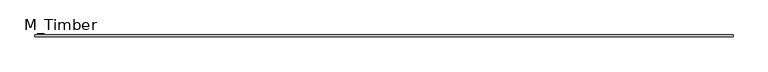
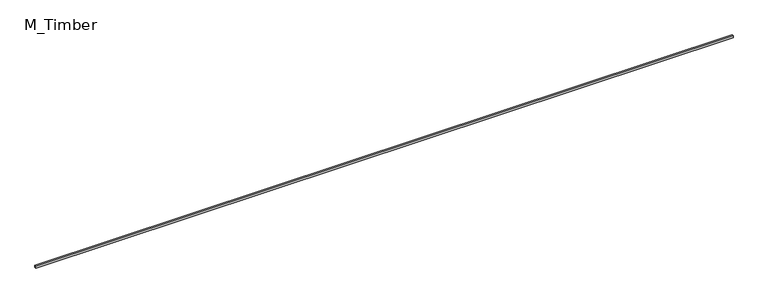
"""IFC4 building model written with IfcOpenShell, lengths in millimetres: beam geometry, M_Timber."""

from ifc_helpers import new_model, si_unit, frame, origin, place, context, project, spatial, polyline, outline, extrude, source, transform, mapped, element, save


def m_timber_feb05ec2(model_context):
    return source(origin(), model_context, "Body", "SweptSolid", [
        extrude(outline(polyline([(7552.7815612, 20.0), (7552.7815612, -20.0), (-7552.7815612, -20.0), (-7552.7815612, 20.0), (7552.7815612, 20.0)])), frame((0.0, 0.0, -20.0), z_axis=(0.0, 0.0, 1.0), x_axis=(1.0, 0.0, 0.0)), (0.0, 0.0, 1.0), 40.0),
    ])


if __name__ == "__main__":
    model = new_model("IFC4")
    model_context = context("Model", 3, world=origin())
    ifc_project = project(units=[si_unit("LENGTHUNIT", "METRE", prefix="MILLI")], contexts=[model_context])
    site = spatial("IfcSite", under=ifc_project)
    building = spatial("IfcBuilding", under=site)
    placement = place(None, origin())
    m_timber_shape = m_timber_feb05ec2(model_context)
    element("IfcBeam", 1, ObjectType="M_Timber", at=placement, inside=building, context=model_context, shape_type="MappedRepresentation", body=[
        mapped(m_timber_shape, transform((0.0, 0.0, 0.0), x_axis=(1.0, 0.0, 0.0), y_axis=(0.0, 1.0, 0.0), z_axis=(0.0, 0.0, 1.0))),
    ])
    save(model, "model.ifc")
